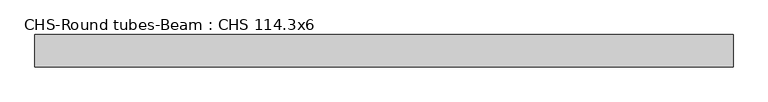
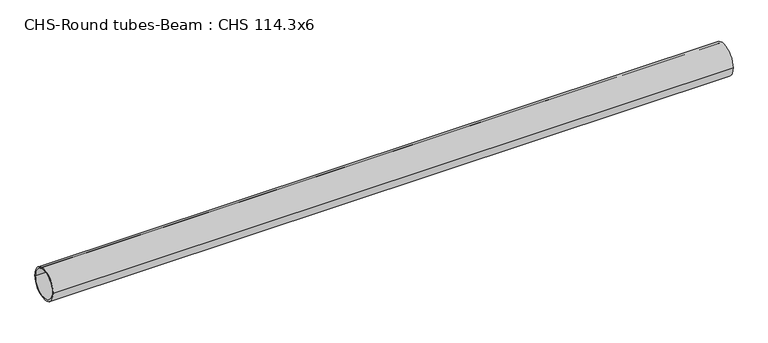
"""IFC4 building model written with IfcOpenShell, lengths in millimetres: beam geometry, CHS-Round tubes-Beam : CHS 114.3x6."""

from ifc_helpers import new_model, si_unit, point, frame, origin, origin_2d, place, context, project, spatial, circle_curve, trimmed, segment, composite_curve, outline, extrude, source, transform, mapped, element, save


def chs_round_tubes_beam_chs_114_3x6_6205564f(model_context):
    return source(origin(), model_context, "Body", "SweptSolid", [
        extrude(outline(composite_curve([segment(trimmed(circle_curve(origin_2d(), 57.15), [point((57.15, 0.0))], [point((-57.15, 0.0))], False, "CARTESIAN"), True, "CONTINUOUS"), segment(trimmed(circle_curve(origin_2d(), 57.15), [point((-57.15, 0.0))], [point((57.15, 0.0))], False, "CARTESIAN"), True, "CONTINUOUS")], self_intersect=False), holes=[composite_curve([segment(trimmed(circle_curve(origin_2d(), 51.15), [point((51.15, 0.0))], [point((-51.15, 0.0))], True, "CARTESIAN"), True, "CONTINUOUS"), segment(trimmed(circle_curve(origin_2d(), 51.15), [point((-51.15, 0.0))], [point((51.15, 0.0))], True, "CARTESIAN"), True, "CONTINUOUS")], self_intersect=False)]), frame((-1175.0079936, 0.0, 0.0), z_axis=(1.0, 0.0, 0.0), x_axis=(0.0, 1.0, 0.0)), (0.0, 0.0, 1.0), 2459.8358191),
    ])


if __name__ == "__main__":
    model = new_model("IFC4")
    model_context = context("Model", 3, world=origin())
    ifc_project = project(units=[si_unit("LENGTHUNIT", "METRE", prefix="MILLI")], contexts=[model_context])
    site = spatial("IfcSite", under=ifc_project)
    building = spatial("IfcBuilding", under=site)
    placement = place(None, origin())
    chs_round_tubes_beam_chs_114_3x6_shape = chs_round_tubes_beam_chs_114_3x6_6205564f(model_context)
    element("IfcBeam", 1, ObjectType="CHS-Round tubes-Beam : CHS 114.3x6", at=placement, inside=building, context=model_context, shape_type="MappedRepresentation", body=[
        mapped(chs_round_tubes_beam_chs_114_3x6_shape, transform((0.0, 0.0, 0.0), x_axis=(1.0, 0.0, 0.0), y_axis=(0.0, 1.0, 0.0), z_axis=(0.0, 0.0, 1.0))),
    ])
    save(model, "model.ifc")
